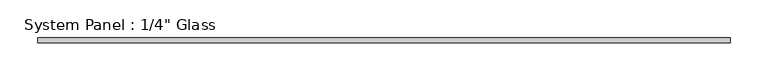
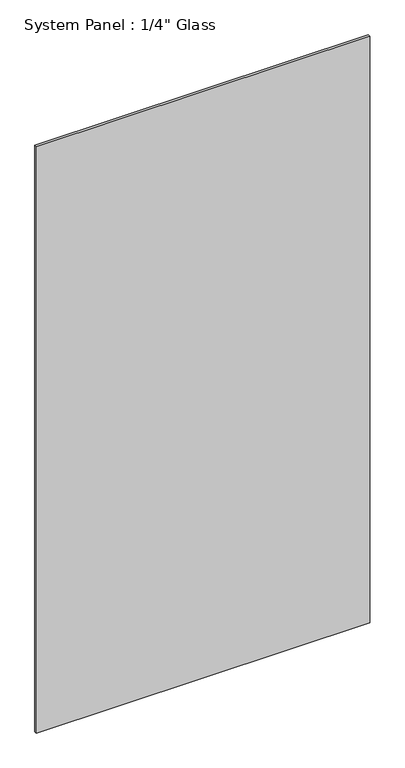
"""IFC4 building model written with IfcOpenShell, lengths in millimetres: plate geometry."""

from ifc_helpers import new_model, si_unit, origin, origin_with_axes, place, context, project, spatial, polyline, outline, extrude, source, transform, mapped, element, save


def plate_824bb244(model_context):
    return source(origin(), model_context, "Body", "SweptSolid", [
        extrude(outline(polyline([(455.9509605, -3.175), (-455.9509605, -3.175), (-455.9509605, 3.175), (455.9509605, 3.175), (455.9509605, -3.175)])), origin_with_axes(), (0.0, 0.0, 1.0), 1695.45),
    ])


if __name__ == "__main__":
    model = new_model("IFC4")
    model_context = context("Model", 3, world=origin())
    ifc_project = project(units=[si_unit("LENGTHUNIT", "METRE", prefix="MILLI")], contexts=[model_context])
    site = spatial("IfcSite", under=ifc_project)
    building = spatial("IfcBuilding", under=site)
    placement = place(None, origin())
    plate_shape = plate_824bb244(model_context)
    element("IfcPlate", 1, ObjectType="System Panel : 1/4\" Glass", at=placement, inside=building, context=model_context, shape_type="MappedRepresentation", body=[
        mapped(plate_shape, transform((0.0, 0.0, 0.0), x_axis=(1.0, 0.0, 0.0), y_axis=(0.0, 1.0, 0.0), z_axis=(0.0, 0.0, 1.0))),
    ])
    save(model, "model.ifc")
